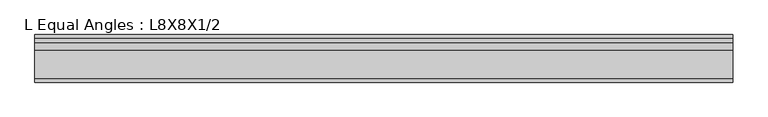
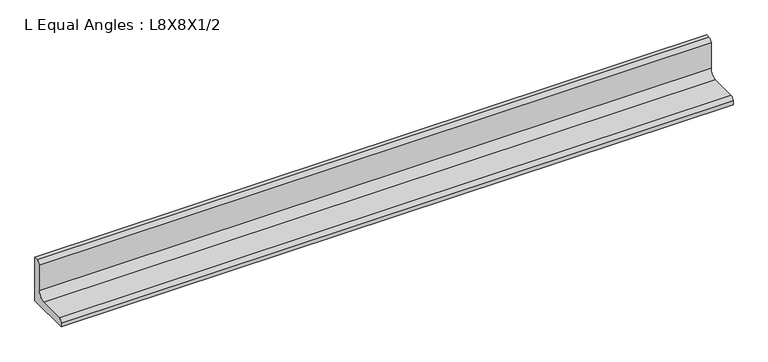
"""IFC4 building model written with IfcOpenShell, lengths in millimetres: beam geometry, L Equal Angles : L8X8X1/2."""

from ifc_helpers import new_model, si_unit, point, frame, frame_2d, origin, place, context, project, spatial, polyline, circle_curve, trimmed, segment, composite_curve, outline, extrude, source, transform, mapped, element, save


def l_equal_angles_l8x8x1_2_aaedd778(model_context):
    return source(origin(), model_context, "Body", "SweptSolid", [
        extrude(outline(composite_curve([segment(polyline([(55.118, -55.118), (-21.082, -55.118), (-21.082, -48.768)]), True, "CONTINUOUS"), segment(trimmed(circle_curve(frame_2d((-14.732, -48.768)), 6.35), [point((-21.082, -48.768))], [point((-14.732, -42.418))], False, "CARTESIAN"), True, "CONTINUOUS"), segment(polyline([(-14.732, -42.418), (29.718, -42.418)]), True, "CONTINUOUS"), segment(trimmed(circle_curve(frame_2d((29.718, -29.718)), 12.7), [point((29.718, -42.418))], [point((42.418, -29.718))], True, "CARTESIAN"), True, "CONTINUOUS"), segment(polyline([(42.418, -29.718), (42.418, 14.732)]), True, "CONTINUOUS"), segment(trimmed(circle_curve(frame_2d((48.768, 14.732)), 6.35), [point((42.418, 14.732))], [point((48.768, 21.082))], False, "CARTESIAN"), True, "CONTINUOUS"), segment(polyline([(48.768, 21.082), (55.118, 21.082), (55.118, -55.118)]), True, "CONTINUOUS")], self_intersect=False)), frame((-558.8, 0.0, 0.0), z_axis=(1.0, 0.0, 0.0), x_axis=(0.0, 1.0, 0.0)), (0.0, 0.0, 1.0), 1117.6),
    ])


if __name__ == "__main__":
    model = new_model("IFC4")
    model_context = context("Model", 3, world=origin())
    ifc_project = project(units=[si_unit("LENGTHUNIT", "METRE", prefix="MILLI")], contexts=[model_context])
    site = spatial("IfcSite", under=ifc_project)
    building = spatial("IfcBuilding", under=site)
    placement = place(None, origin())
    l_equal_angles_l8x8x1_2_shape = l_equal_angles_l8x8x1_2_aaedd778(model_context)
    element("IfcBeam", 1, ObjectType="L Equal Angles : L8X8X1/2", at=placement, inside=building, context=model_context, shape_type="MappedRepresentation", body=[
        mapped(l_equal_angles_l8x8x1_2_shape, transform((0.0, 0.0, 0.0), x_axis=(1.0, 0.0, 0.0), y_axis=(0.0, 1.0, 0.0), z_axis=(0.0, 0.0, 1.0))),
    ])
    save(model, "model.ifc")
